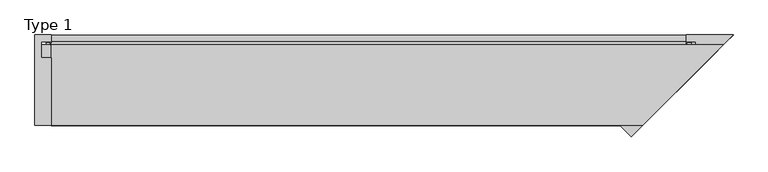
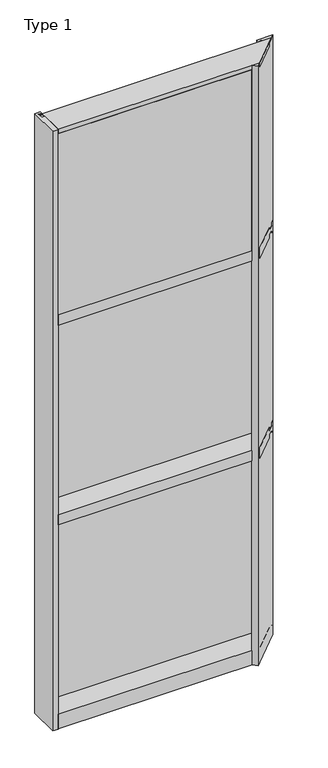
"""IFC4 building model written with IfcOpenShell, lengths in millimetres: plate geometry, Type 1."""

from ifc_helpers import new_model, si_unit, point, frame, frame_2d, origin, place, context, project, spatial, polyline, circle_curve, trimmed, segment, composite_curve, outline, extrude, faceted_brep, source, transform, mapped, element, save


def type_1_ff32df1b(model_context):
    return source(origin(), model_context, "Body", "SolidModel", [
        extrude(outline(composite_curve([segment(polyline([(-624.5321104, 34.0361122), (-624.9430559, 27.686), (-625.9095618, 27.686), (-625.9370692, 31.7563748)]), True, "CONTINUOUS"), segment(trimmed(circle_curve(frame_2d((-626.5720547, 31.7520836)), 0.635), [point((-625.9370692, 31.7563748))], [point((-626.5369739, 32.3861138))], True, "CARTESIAN"), True, "CONTINUOUS"), segment(polyline([(-626.5369739, 32.3861138), (-633.2923348, 32.7598869)]), True, "CONTINUOUS"), segment(trimmed(circle_curve(frame_2d((-633.1097815, 33.7593519)), 1.016), [point((-633.2923348, 32.7598869))], [point((-634.0873601, 34.0361122))], False, "CARTESIAN"), True, "CONTINUOUS"), segment(polyline([(-634.0873601, 34.0361122), (-624.5321104, 34.0361122)]), True, "CONTINUOUS")], self_intersect=False)), frame((0.0, 0.0, 2459.3728643), z_axis=(0.0, 0.0, 1.0), x_axis=(1.0, 0.0, 0.0)), (0.0, 0.0, 1.0), 1134.7271357),
        extrude(outline(composite_curve([segment(polyline([(624.9430559, 27.686), (624.5321104, 34.0361122), (634.0873601, 34.0361122)]), True, "CONTINUOUS"), segment(trimmed(circle_curve(frame_2d((633.1097815, 33.7593519)), 1.016), [point((634.0873601, 34.0361122))], [point((633.2923348, 32.7598869))], False, "CARTESIAN"), True, "CONTINUOUS"), segment(polyline([(633.2923348, 32.7598869), (626.5369739, 32.3861138)]), True, "CONTINUOUS"), segment(trimmed(circle_curve(frame_2d((626.5720547, 31.7520836)), 0.635), [point((626.5369739, 32.3861138))], [point((625.9370692, 31.7563748))], True, "CARTESIAN"), True, "CONTINUOUS"), segment(polyline([(625.9370692, 31.7563748), (625.9095618, 27.686), (624.9430559, 27.686)]), True, "CONTINUOUS")], self_intersect=False)), frame((0.0, 0.0, 2459.3728643), z_axis=(0.0, 0.0, 1.0), x_axis=(1.0, 0.0, 0.0)), (0.0, 0.0, 1.0), 1134.7271357),
        extrude(outline(polyline([(34.0361122, 2459.3728643), (27.686, 2459.3728643), (27.686, 2471.8771952), (34.0361122, 2470.1238955), (34.0361122, 2459.3728643)])), frame((-634.0873601, 0.0, 0.0), z_axis=(1.0, 0.0, 0.0), x_axis=(0.0, 1.0, 0.0)), (0.0, 0.0, 1.0), 1268.1747201),
        extrude(outline(polyline([(575.9376409, -48.514), (493.4868597, -131.0159103), (-624.4556097, -131.0159103), (-624.4556097, -48.514), (575.9376409, -48.514)])), frame((0.0, 0.0, 2470.15), z_axis=(0.0, 0.0, 1.0), x_axis=(1.0, 0.0, 0.0)), (0.0, 0.0, 1.0), 1104.9),
        extrude(outline(polyline([(643.5056097, 27.686), (643.5056097, 2.286), (-643.5056097, 2.286), (-643.5056097, 27.686), (643.5056097, 27.686)])), frame((0.0, 0.0, 2451.1), z_axis=(0.0, 0.0, 1.0), x_axis=(1.0, 0.0, 0.0)), (0.0, 0.0, 1.0), 1143.0),
        extrude(outline(polyline([(-656.2056097, -130.5814), (-656.2056097, 47.2186), (-624.4545205, 47.2186), (-624.4545205, 34.036), (-643.5056097, 34.036), (-643.5056097, 2.286), (-624.4556097, 2.286), (-624.4556097, -130.5814), (-656.2056097, -130.5814)])), frame((0.0, 0.0, -57.15), z_axis=(0.0, 0.0, 1.0), x_axis=(1.0, 0.0, 0.0)), (0.0, 0.0, 1.0), 3657.6),
        extrude(outline(polyline([(27.686, 1252.6752684), (34.036, 1250.9219997), (34.036, 1240.1709644), (27.686, 1240.1709644), (27.686, 1252.6752684)])), frame((-634.088481, 0.0, 0.0), z_axis=(1.0, 0.0, 0.0), x_axis=(0.0, 1.0, 0.0)), (0.0, 0.0, 1.0), 1268.1769621),
        extrude(outline(polyline([(27.6860992, 2417.4309356), (34.0360992, 2417.4309356), (34.0360992, 2406.6798775), (27.6860992, 2404.9266088), (27.6860992, 2417.4309356)])), frame((-634.088481, 0.0, 0.0), z_axis=(1.0, 0.0, 0.0), x_axis=(0.0, 1.0, 0.0)), (0.0, 0.0, 1.0), 1268.1769621),
        extrude(outline(composite_curve([segment(trimmed(circle_curve(frame_2d((-626.5731439, 31.7520836)), 0.635), [point((-625.9381584, 31.7563748))], [point((-626.5380631, 32.3861138))], True, "CARTESIAN"), True, "CONTINUOUS"), segment(polyline([(-626.5380631, 32.3861138), (-633.293424, 32.7598869)]), True, "CONTINUOUS"), segment(trimmed(circle_curve(frame_2d((-633.1108707, 33.7593519)), 1.016), [point((-633.293424, 32.7598869))], [point((-634.088481, 34.036))], False, "CARTESIAN"), True, "CONTINUOUS"), segment(polyline([(-634.088481, 34.036), (-624.5332069, 34.036), (-624.9441451, 27.686), (-625.910651, 27.686), (-625.9381584, 31.7563748)]), True, "CONTINUOUS")], self_intersect=False)), frame((0.0, 0.0, 1240.1709644), z_axis=(0.0, 0.0, 1.0), x_axis=(1.0, 0.0, 0.0)), (0.0, 0.0, 1.0), 1177.2580861),
        extrude(outline(composite_curve([segment(polyline([(624.9441451, 27.686), (624.5332069, 34.036), (634.088481, 34.036)]), True, "CONTINUOUS"), segment(trimmed(circle_curve(frame_2d((633.1108707, 33.7593519)), 1.016), [point((634.088481, 34.036))], [point((633.293424, 32.7598869))], False, "CARTESIAN"), True, "CONTINUOUS"), segment(polyline([(633.293424, 32.7598869), (626.5380631, 32.3861138)]), True, "CONTINUOUS"), segment(trimmed(circle_curve(frame_2d((626.5731439, 31.7520836)), 0.635), [point((626.5380631, 32.3861138))], [point((625.9381584, 31.7563748))], True, "CARTESIAN"), True, "CONTINUOUS"), segment(polyline([(625.9381584, 31.7563748), (625.910651, 27.686), (624.9441451, 27.686)]), True, "CONTINUOUS")], self_intersect=False)), frame((0.0, 0.0, 1240.1709644), z_axis=(0.0, 0.0, 1.0), x_axis=(1.0, 0.0, 0.0)), (0.0, 0.0, 1.0), 1177.2580861),
        extrude(outline(polyline([(643.5066989, 27.686), (643.5066989, 2.286), (-643.5066989, 2.286), (-643.5066989, 27.686), (643.5066989, 27.686)])), frame((0.0, 0.0, 1231.8962001), z_axis=(0.0, 0.0, 1.0), x_axis=(1.0, 0.0, 0.0)), (0.0, 0.0, 1.0), 1193.8037999),
        extrude(outline(polyline([(27.686, 33.4752684), (34.036, 31.7219997), (34.036, 20.9709644), (27.686, 20.9709644), (27.686, 33.4752684)])), frame((-634.088481, 0.0, 0.0), z_axis=(1.0, 0.0, 0.0), x_axis=(0.0, 1.0, 0.0)), (0.0, 0.0, 1.0), 1268.1769621),
        extrude(outline(polyline([(27.6860992, 1198.2309356), (34.0360992, 1198.2309356), (34.0360992, 1187.4798775), (27.6860992, 1185.7266088), (27.6860992, 1198.2309356)])), frame((-634.088481, 0.0, 0.0), z_axis=(1.0, 0.0, 0.0), x_axis=(0.0, 1.0, 0.0)), (0.0, 0.0, 1.0), 1268.1769621),
        extrude(outline(composite_curve([segment(trimmed(circle_curve(frame_2d((-626.5731439, 31.7520836)), 0.635), [point((-625.9381584, 31.7563748))], [point((-626.5380631, 32.3861138))], True, "CARTESIAN"), True, "CONTINUOUS"), segment(polyline([(-626.5380631, 32.3861138), (-633.293424, 32.7598869)]), True, "CONTINUOUS"), segment(trimmed(circle_curve(frame_2d((-633.1108707, 33.7593519)), 1.016), [point((-633.293424, 32.7598869))], [point((-634.088481, 34.036))], False, "CARTESIAN"), True, "CONTINUOUS"), segment(polyline([(-634.088481, 34.036), (-624.5332069, 34.036), (-624.9441451, 27.686), (-625.910651, 27.686), (-625.9381584, 31.7563748)]), True, "CONTINUOUS")], self_intersect=False)), frame((0.0, 0.0, 20.9709644), z_axis=(0.0, 0.0, 1.0), x_axis=(1.0, 0.0, 0.0)), (0.0, 0.0, 1.0), 1177.2580861),
        extrude(outline(composite_curve([segment(polyline([(624.9441451, 27.686), (624.5332069, 34.036), (634.088481, 34.036)]), True, "CONTINUOUS"), segment(trimmed(circle_curve(frame_2d((633.1108707, 33.7593519)), 1.016), [point((634.088481, 34.036))], [point((633.293424, 32.7598869))], False, "CARTESIAN"), True, "CONTINUOUS"), segment(polyline([(633.293424, 32.7598869), (626.5380631, 32.3861138)]), True, "CONTINUOUS"), segment(trimmed(circle_curve(frame_2d((626.5731439, 31.7520836)), 0.635), [point((626.5380631, 32.3861138))], [point((625.9381584, 31.7563748))], True, "CARTESIAN"), True, "CONTINUOUS"), segment(polyline([(625.9381584, 31.7563748), (625.910651, 27.686), (624.9441451, 27.686)]), True, "CONTINUOUS")], self_intersect=False)), frame((0.0, 0.0, 20.9709644), z_axis=(0.0, 0.0, 1.0), x_axis=(1.0, 0.0, 0.0)), (0.0, 0.0, 1.0), 1177.2580861),
        extrude(outline(polyline([(643.5066989, 27.686), (643.5066989, 2.286), (-643.5066989, 2.286), (-643.5066989, 27.686), (643.5066989, 27.686)])), frame((0.0, 0.0, 12.6962001), z_axis=(0.0, 0.0, 1.0), x_axis=(1.0, 0.0, 0.0)), (0.0, 0.0, 1.0), 1193.8037999),
        faceted_brep([(-624.4556097, -130.0734, 3600.45), (-624.4556097, 27.686, 3600.45), (-624.4556097, 27.686, 3594.1), (-624.4556097, 0.0, 3594.1), (-624.4556097, 0.0, 3575.051832), (-624.4556097, -130.0734, 3575.051832), (539.2845795, -130.0734, 3600.45), (697.0439795, 27.686, 3600.45), (697.0439795, 27.686, 3594.1), (669.3579795, 0.0, 3594.1), (669.3579795, 0.0, 3575.051832), (539.2845795, -130.0734, 3575.051832)], [[[0, 1, 2, 3, 4, 5]], [[1, 0, 6, 7]], [[2, 1, 7, 8]], [[3, 2, 8, 9]], [[4, 3, 9, 10]], [[5, 4, 10, 11]], [[0, 5, 11, 6]], [[7, 6, 11, 10, 9, 8]]]),
        faceted_brep([(-624.4556097, 0.0, 2470.15), (-624.4556097, 0.0, 2451.1), (-624.4556097, 34.13125, 2451.1), (-624.4556097, 34.13125, 2470.1462001), (-624.4556097, 47.2186445, 2470.1462001), (-624.4556097, 47.2186445, 2406.6462001), (-624.4556097, 34.13125, 2406.6462001), (-624.4556097, 34.13125, 2425.7), (-624.4556097, 0.0, 2425.7), (-624.4556097, 0.0, 2406.65), (-624.4556097, -130.175, 2406.65), (-624.4556097, -130.175, 2470.15), (669.3579795, 0.0, 2470.15), (669.3579795, 0.0, 2451.1), (703.4892295, 34.13125, 2451.1), (703.4892295, 34.13125, 2470.1462001), (716.576624, 47.2186445, 2470.1462001), (716.576624, 47.2186445, 2406.6462001), (703.4892295, 34.13125, 2406.6462001), (703.4892295, 34.13125, 2425.7), (669.3579795, 0.0, 2425.7), (669.3579795, 0.0, 2406.65), (539.1829795, -130.175, 2406.65), (539.1829795, -130.175, 2470.15)], [[[0, 1, 2, 3, 4, 5, 6, 7, 8, 9, 10, 11]], [[1, 0, 12, 13]], [[2, 1, 13, 14]], [[3, 2, 14, 15]], [[4, 3, 15, 16]], [[5, 4, 16, 17]], [[6, 5, 17, 18]], [[7, 6, 18, 19]], [[8, 7, 19, 20]], [[9, 8, 20, 21]], [[10, 9, 21, 22]], [[11, 10, 22, 23]], [[0, 11, 23, 12]], [[13, 12, 23, 22, 21, 20, 19, 18, 17, 16, 15, 14]]]),
        faceted_brep([(-624.4556097, 0.0, 1250.95), (-624.4556097, 0.0, 1231.9), (-624.4556097, 34.13125, 1231.9), (-624.4556097, 34.13125, 1250.9462001), (-624.4556097, 47.2186445, 1250.9462001), (-624.4556097, 47.2186445, 1187.4462001), (-624.4556097, 34.13125, 1187.4462001), (-624.4556097, 34.13125, 1206.5), (-624.4556097, 0.0, 1206.5), (-624.4556097, 0.0, 1187.45), (-624.4556097, -130.175, 1187.45), (-624.4556097, -130.175, 1250.95), (669.3579795, 0.0, 1250.95), (669.3579795, 0.0, 1231.9), (703.4892295, 34.13125, 1231.9), (703.4892295, 34.13125, 1250.9462001), (716.576624, 47.2186445, 1250.9462001), (716.576624, 47.2186445, 1187.4462001), (703.4892295, 34.13125, 1187.4462001), (703.4892295, 34.13125, 1206.5), (669.3579795, 0.0, 1206.5), (669.3579795, 0.0, 1187.45), (539.1829795, -130.175, 1187.45), (539.1829795, -130.175, 1250.95)], [[[0, 1, 2, 3, 4, 5, 6, 7, 8, 9, 10, 11]], [[1, 0, 12, 13]], [[2, 1, 13, 14]], [[3, 2, 14, 15]], [[4, 3, 15, 16]], [[5, 4, 16, 17]], [[6, 5, 17, 18]], [[7, 6, 18, 19]], [[8, 7, 19, 20]], [[9, 8, 20, 21]], [[10, 9, 21, 22]], [[11, 10, 22, 23]], [[0, 11, 23, 12]], [[13, 12, 23, 22, 21, 20, 19, 18, 17, 16, 15, 14]]]),
        faceted_brep([(716.576624, 47.2186445, 3600.45), (624.4556097, 47.2186445, 3600.45), (624.4556097, 34.036, 3600.45), (643.5066989, 34.036, 3600.45), (643.5066989, 0.0, 3600.45), (624.4566989, 0.0, 3600.45), (493.8752989, -130.5814, 3600.45), (516.3259392, -153.0320403, 3600.45), (539.1829795, -130.175, 3600.45), (516.3259392, -153.0320403, -57.15), (493.8752989, -130.5814, -57.15), (624.4566989, 0.0, -57.15), (643.5066989, 0.0, -57.15), (643.5066989, 34.036, -57.15), (624.4556097, 34.036, -57.15), (624.4556097, 47.2186445, -57.15), (716.576624, 47.2186445, -57.15), (539.1829795, -130.175, -57.15)], [[[0, 1, 2, 3, 4, 5, 6, 7, 8]], [[9, 10, 11, 12, 13, 14, 15, 16, 17]], [[1, 0, 16, 15]], [[4, 3, 13, 12]], [[5, 4, 12, 11]], [[6, 5, 11, 10]], [[7, 6, 10, 9]], [[16, 0, 8, 7, 9, 17]], [[2, 1, 15, 14]], [[3, 2, 14, 13]]]),
        faceted_brep([(-624.4556097, 0.0, 31.75), (-624.4556097, 0.0, 12.7), (-624.4556097, 34.13125, 12.7), (-624.4556097, 34.13125, 31.751832), (-624.4556097, 47.2186148, 31.751832), (-624.4556097, 47.2186148, -57.15), (-624.4556097, -130.175, -57.15), (-624.4556097, -130.175, 31.75), (669.3579795, 0.0, 31.75), (669.3579795, 0.0, 12.7), (703.4892295, 34.13125, 12.7), (703.4892295, 34.13125, 31.751832), (716.5765944, 47.2186148, 31.751832), (716.5765944, 47.2186148, -57.15), (539.1829795, -130.175, -57.15), (539.1829795, -130.175, 31.75)], [[[0, 1, 2, 3, 4, 5, 6, 7]], [[1, 0, 8, 9]], [[2, 1, 9, 10]], [[3, 2, 10, 11]], [[4, 3, 11, 12]], [[5, 4, 12, 13]], [[6, 5, 13, 14]], [[7, 6, 14, 15]], [[0, 7, 15, 8]], [[9, 8, 15, 14, 13, 12, 11, 10]]]),
    ])


if __name__ == "__main__":
    model = new_model("IFC4")
    model_context = context("Model", 3, world=origin())
    ifc_project = project(units=[si_unit("LENGTHUNIT", "METRE", prefix="MILLI")], contexts=[model_context])
    site = spatial("IfcSite", under=ifc_project)
    building = spatial("IfcBuilding", under=site)
    placement = place(None, origin())
    type_1_shape = type_1_ff32df1b(model_context)
    element("IfcPlate", 1, ObjectType="Type 1", at=placement, inside=building, context=model_context, shape_type="MappedRepresentation", body=[
        mapped(type_1_shape, transform((0.0, 0.0, 0.0), x_axis=(1.0, 0.0, 0.0), y_axis=(0.0, 1.0, 0.0), z_axis=(0.0, 0.0, 1.0))),
    ])
    save(model, "model.ifc")
